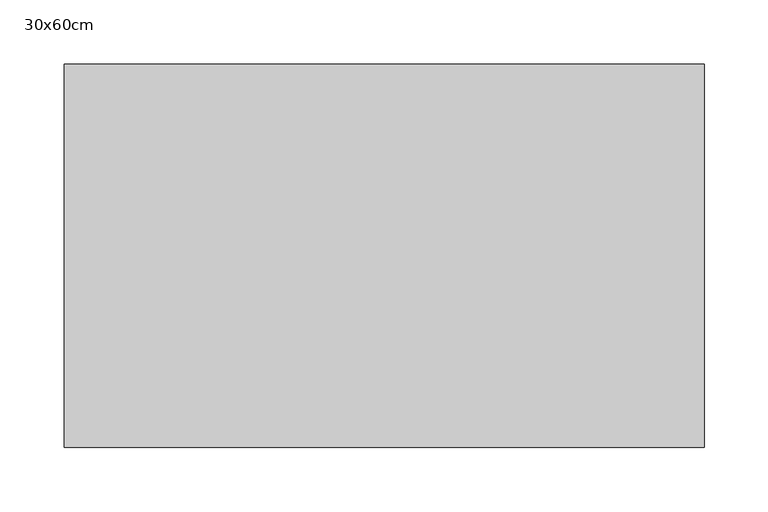
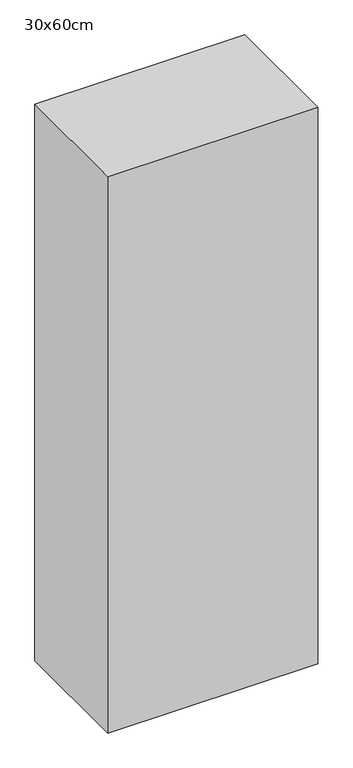
"""IFC4 building model written with IfcOpenShell, lengths in millimetres: proxy geometry, 30x60cm."""

from ifc_helpers import new_model, si_unit, frame, origin, place, context, project, spatial, polyline, outline, extrude, source, transform, mapped, element, save


def proxy_30x60cm_27f901c9(model_context):
    return source(origin(), model_context, "Body", "SweptSolid", [
        extrude(outline(polyline([(500.0, 300.0), (500.0, 0.0), (0.0, 0.0), (0.0, 300.0), (500.0, 300.0)])), frame((0.0, 0.0, 1300.0), z_axis=(0.0, 0.0, 1.0), x_axis=(1.0, 0.0, 0.0)), (0.0, 0.0, 1.0), 1400.0),
    ])


if __name__ == "__main__":
    model = new_model("IFC4")
    model_context = context("Model", 3, world=origin())
    ifc_project = project(units=[si_unit("LENGTHUNIT", "METRE", prefix="MILLI")], contexts=[model_context])
    site = spatial("IfcSite", under=ifc_project)
    building = spatial("IfcBuilding", under=site)
    placement = place(None, origin())
    proxy_30x60cm_shape = proxy_30x60cm_27f901c9(model_context)
    element("IfcBuildingElementProxy", 1, Name="30x60cm", ObjectType="30x60cm", at=placement, inside=building, context=model_context, shape_type="MappedRepresentation", body=[
        mapped(proxy_30x60cm_shape, transform((0.0, 0.0, 0.0), x_axis=(1.0, 0.0, 0.0), y_axis=(0.0, 1.0, 0.0), z_axis=(0.0, 0.0, 1.0))),
    ])
    save(model, "model.ifc")
